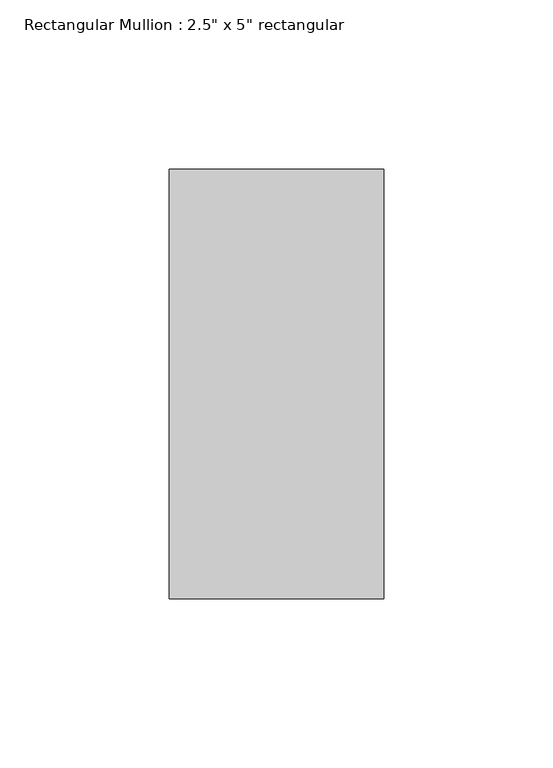
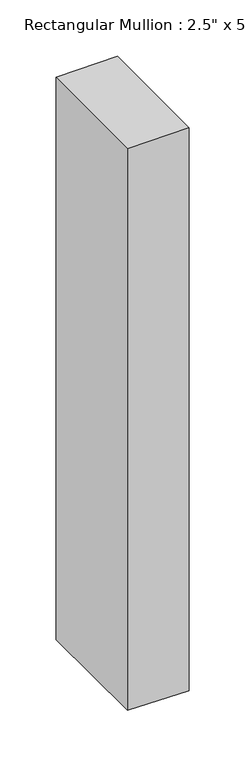
"""IFC4 building model written with IfcOpenShell, lengths in millimetres: member geometry."""

from ifc_helpers import new_model, si_unit, origin, place, context, project, spatial, faceted_brep, source, transform, mapped, element, save


def member_3978ac13(model_context):
    return source(origin(), model_context, "Body", "Brep", [
        faceted_brep([(-63.5, 63.5, -0.5035399), (0.0, 63.5, 0.3616594), (0.0, 63.5, -612.7345528), (-63.5, 63.5, -611.6879111), (-63.5, -63.5, -1.2268586), (-63.5, -63.5, -610.9098922), (0.0, -63.5, -0.3616594), (0.0, -63.5, -611.9565339)], [[[0, 1, 2, 3]], [[4, 0, 3, 5]], [[6, 4, 5, 7]], [[1, 6, 7, 2]], [[1, 0, 4, 6]], [[2, 7, 5, 3]]]),
    ])


if __name__ == "__main__":
    model = new_model("IFC4")
    model_context = context("Model", 3, world=origin())
    ifc_project = project(units=[si_unit("LENGTHUNIT", "METRE", prefix="MILLI")], contexts=[model_context])
    site = spatial("IfcSite", under=ifc_project)
    building = spatial("IfcBuilding", under=site)
    placement = place(None, origin())
    member_shape = member_3978ac13(model_context)
    element("IfcMember", 1, ObjectType="Rectangular Mullion : 2.5\" x 5\" rectangular", at=placement, inside=building, context=model_context, shape_type="MappedRepresentation", body=[
        mapped(member_shape, transform((0.0, 0.0, 0.0), x_axis=(1.0, 0.0, 0.0), y_axis=(0.0, 1.0, 0.0), z_axis=(0.0, 0.0, 1.0))),
    ])
    save(model, "model.ifc")
